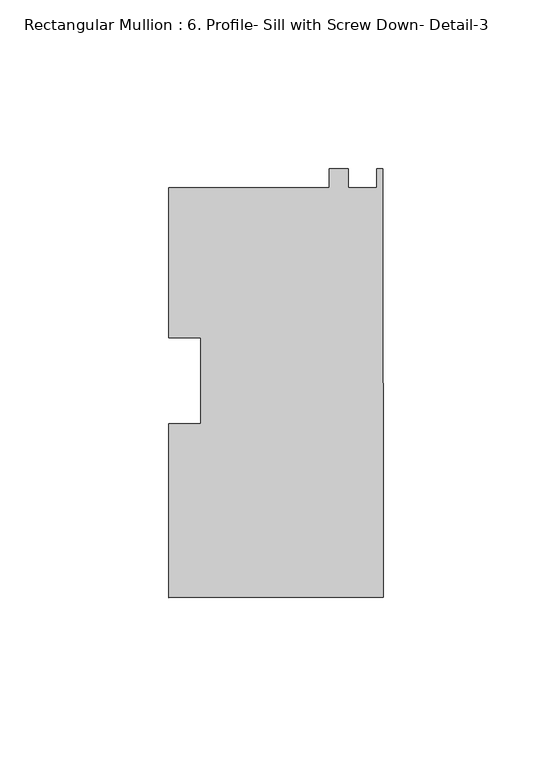
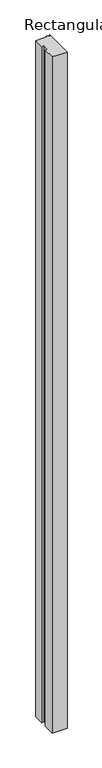
"""IFC4 building model written with IfcOpenShell, lengths in millimetres: member geometry, Rectangular Mullion : 6. Profile- Sill with Screw Down- Detail-3."""

from ifc_helpers import new_model, si_unit, frame, origin, place, context, project, spatial, polyline, outline, extrude, source, transform, mapped, element, save


def rectangular_mullion_6_profile_sill_with_screw_down_detail_3_c926e5a6(model_context):
    return source(origin(), model_context, "Body", "SweptSolid", [
        extrude(outline(polyline([(0.0, -64.1621597), (-63.4999959, -64.184922), (-63.518466, -12.6589414), (-53.9934666, -12.6555271), (-54.002603, 12.8321697), (-63.5276024, 12.8287553), (-63.5435266, 57.2524702), (-15.9185296, 57.269542), (-15.9205501, 62.90609), (-10.2961114, 62.9081061), (-10.2940902, 57.2695845), (-1.9358545, 57.2745316), (-1.8235222, 62.8307178), (-0.0455223, 62.8313552), (0.0, -64.1621597)])), frame((0.0, 0.0, -3048.0), z_axis=(0.0, 0.0, 1.0), x_axis=(1.0, 0.0, 0.0)), (0.0, 0.0, 1.0), 3048.0),
    ])


if __name__ == "__main__":
    model = new_model("IFC4")
    model_context = context("Model", 3, world=origin())
    ifc_project = project(units=[si_unit("LENGTHUNIT", "METRE", prefix="MILLI")], contexts=[model_context])
    site = spatial("IfcSite", under=ifc_project)
    building = spatial("IfcBuilding", under=site)
    placement = place(None, origin())
    rectangular_mullion_6_profile_sill_with_screw_down_detail_3_shape = rectangular_mullion_6_profile_sill_with_screw_down_detail_3_c926e5a6(model_context)
    element("IfcMember", 1, ObjectType="Rectangular Mullion : 6. Profile- Sill with Screw Down- Detail-3", at=placement, inside=building, context=model_context, shape_type="MappedRepresentation", body=[
        mapped(rectangular_mullion_6_profile_sill_with_screw_down_detail_3_shape, transform((0.0, 0.0, 0.0), x_axis=(1.0, 0.0, 0.0), y_axis=(0.0, 1.0, 0.0), z_axis=(0.0, 0.0, 1.0))),
    ])
    save(model, "model.ifc")
